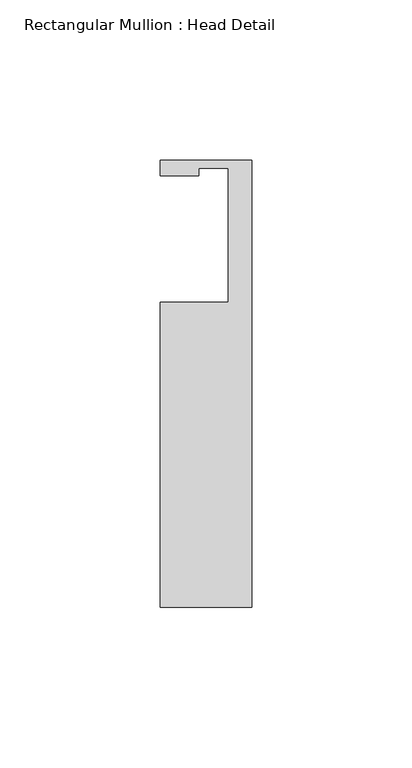
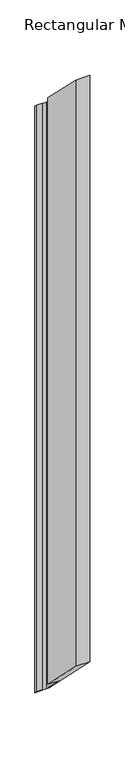
"""IFC4 building model written with IfcOpenShell, lengths in millimetres: member geometry, Rectangular Mullion : Head Detail."""

from ifc_helpers import new_model, si_unit, origin, place, context, project, spatial, faceted_brep, source, transform, mapped, element, save


def rectangular_mullion_head_detail_0d7a94b0(model_context):
    return source(origin(), model_context, "Body", "Brep", [
        faceted_brep([(-28.575, -114.3, 141.2875), (-28.575, -19.05, 46.0375), (-28.575, -19.05, -1183.1548164), (-28.575, -114.3, -1087.9048164), (0.0, -114.3, 141.2875), (0.0, -114.3, -1087.9048164), (0.0, 25.4, 1.5875), (0.0, 25.4, -1227.6048164), (-28.575, 25.4, 1.5875), (-28.575, 25.4, -1227.6048164), (-28.575, 20.5232, 6.4643), (-28.575, 20.5232, -1222.7280164), (-16.4846, 20.5232, 6.4643), (-16.4846, 20.5232, -1222.7280164), (-16.4846, 22.86, 4.1275), (-16.4846, 22.86, -1225.0648164), (-7.3152, 22.86, 4.1275), (-7.3152, 22.86, -1225.0648164), (-7.3152, -19.05, 46.0375), (-7.3152, -19.05, -1183.1548164)], [[[0, 1, 2, 3]], [[4, 0, 3, 5]], [[6, 4, 5, 7]], [[8, 6, 7, 9]], [[10, 8, 9, 11]], [[12, 10, 11, 13]], [[14, 12, 13, 15]], [[16, 14, 15, 17]], [[18, 16, 17, 19]], [[1, 18, 19, 2]], [[1, 0, 4, 6, 8, 10, 12, 14, 16, 18]], [[2, 19, 17, 15, 13, 11, 9, 7, 5, 3]]]),
    ])


if __name__ == "__main__":
    model = new_model("IFC4")
    model_context = context("Model", 3, world=origin())
    ifc_project = project(units=[si_unit("LENGTHUNIT", "METRE", prefix="MILLI")], contexts=[model_context])
    site = spatial("IfcSite", under=ifc_project)
    building = spatial("IfcBuilding", under=site)
    placement = place(None, origin())
    rectangular_mullion_head_detail_shape = rectangular_mullion_head_detail_0d7a94b0(model_context)
    element("IfcMember", 1, ObjectType="Rectangular Mullion : Head Detail", at=placement, inside=building, context=model_context, shape_type="MappedRepresentation", body=[
        mapped(rectangular_mullion_head_detail_shape, transform((0.0, 0.0, 0.0), x_axis=(1.0, 0.0, 0.0), y_axis=(0.0, 1.0, 0.0), z_axis=(0.0, 0.0, 1.0))),
    ])
    save(model, "model.ifc")
